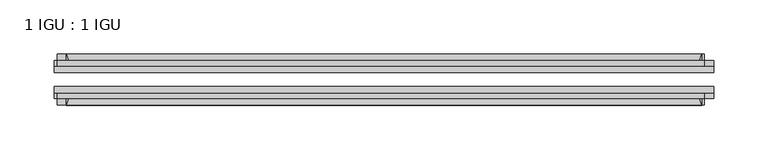
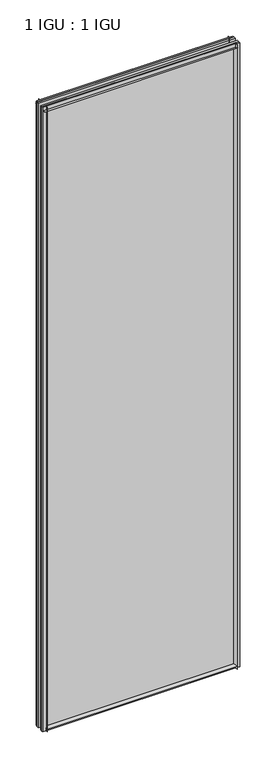
"""IFC4 building model written with IfcOpenShell, lengths in millimetres: plate geometry, 1 IGU : 1 IGU."""

from ifc_helpers import new_model, si_unit, point, frame, frame_2d, origin, place, context, project, spatial, polyline, circle_curve, trimmed, segment, composite_curve, outline, extrude, source, transform, mapped, element, save


def plate_1_igu_1_igu_7e7d0782(model_context):
    return source(origin(), model_context, "Body", "SweptSolid", [
        extrude(outline(composite_curve([segment(polyline([(-74.6252, -8.73125), (-74.6252, -0.0097454), (-80.6504332, -0.0097454)]), True, "CONTINUOUS"), segment(trimmed(circle_curve(frame_2d((-86.2258203, 32.2797688)), 32.7673262), [point((-80.6504332, -0.0097454))], [point((-69.85, 3.8979053))], True, "CARTESIAN"), True, "CONTINUOUS"), segment(polyline([(-69.85, 3.8979053), (-69.85, -8.73125), (-74.6252, -8.73125)]), True, "CONTINUOUS")], self_intersect=False)), frame((-292.0996031, 0.0, 0.0), z_axis=(1.0, 0.0, 0.0), x_axis=(0.0, 1.0, 0.0)), (0.0, 0.0, 1.0), 584.1992063),
        extrude(outline(composite_curve([segment(polyline([(-39.6748, -8.73125), (-44.45, -8.73125), (-44.45, 3.8979053)]), True, "CONTINUOUS"), segment(trimmed(circle_curve(frame_2d((-28.0741797, 32.2797688)), 32.7673262), [point((-44.45, 3.8979053))], [point((-33.6495668, -0.0097454))], True, "CARTESIAN"), True, "CONTINUOUS"), segment(polyline([(-33.6495668, -0.0097454), (-39.6748, -0.0097454), (-39.6748, -8.73125)]), True, "CONTINUOUS")], self_intersect=False)), frame((-292.0996031, 0.0, 0.0), z_axis=(1.0, 0.0, 0.0), x_axis=(0.0, 1.0, 0.0)), (0.0, 0.0, 1.0), 584.1992063),
        extrude(outline(composite_curve([segment(polyline([(-80.5942, 2012.1562438), (-74.6252, 2012.1562438), (-74.6252, 2023.2687438), (-69.85, 2023.2687438), (-69.85, 2008.2583533)]), True, "CONTINUOUS"), segment(trimmed(circle_curve(frame_2d((-86.2258203, 1979.8764898)), 32.7673262), [point((-69.85, 2008.2583533))], [point((-80.5942, 2012.1562438))], True, "CARTESIAN"), True, "CONTINUOUS")], self_intersect=False)), frame((-300.6123418, 0.0, 0.0), z_axis=(1.0, 0.0, 0.0), x_axis=(0.0, 1.0, 0.0)), (0.0, 0.0, 1.0), 595.2579064),
        extrude(outline(composite_curve([segment(polyline([(-39.6748, 2023.2687438), (-39.6748, 2012.1562438), (-33.7058, 2012.1562438)]), True, "CONTINUOUS"), segment(trimmed(circle_curve(frame_2d((-28.0741797, 1979.8764898)), 32.7673262), [point((-33.7058, 2012.1562438))], [point((-44.45, 2008.2583533))], True, "CARTESIAN"), True, "CONTINUOUS"), segment(polyline([(-44.45, 2008.2583533), (-44.45, 2023.2687438), (-39.6748, 2023.2687438)]), True, "CONTINUOUS")], self_intersect=False)), frame((-300.6123418, 0.0, 0.0), z_axis=(1.0, 0.0, 0.0), x_axis=(0.0, 1.0, 0.0)), (0.0, 0.0, 1.0), 595.2579064),
        extrude(outline(composite_curve([segment(polyline([(303.2121031, -39.6748), (303.2121031, -44.45), (288.2017126, -44.45)]), True, "CONTINUOUS"), segment(trimmed(circle_curve(frame_2d((259.8198492, -28.0741797)), 32.7673262), [point((288.2017126, -44.45))], [point((292.0996031, -33.7058))], True, "CARTESIAN"), True, "CONTINUOUS"), segment(polyline([(292.0996031, -33.7058), (292.0996031, -39.6748), (303.2121031, -39.6748)]), True, "CONTINUOUS")], self_intersect=False)), frame((0.0, 0.0, -8.73125), z_axis=(0.0, 0.0, 1.0), x_axis=(1.0, 0.0, 0.0)), (0.0, 0.0, 1.0), 2031.9999938),
        extrude(outline(composite_curve([segment(polyline([(303.2121031, -69.85), (303.2121031, -74.6252), (292.0996031, -74.6252), (292.0996031, -80.5942)]), True, "CONTINUOUS"), segment(trimmed(circle_curve(frame_2d((259.8198492, -86.2258203)), 32.7673262), [point((292.0996031, -80.5942))], [point((288.2017126, -69.85))], True, "CARTESIAN"), True, "CONTINUOUS"), segment(polyline([(288.2017126, -69.85), (303.2121031, -69.85)]), True, "CONTINUOUS")], self_intersect=False)), frame((0.0, 0.0, -8.73125), z_axis=(0.0, 0.0, 1.0), x_axis=(1.0, 0.0, 0.0)), (0.0, 0.0, 1.0), 2031.9999938),
        extrude(outline(composite_curve([segment(polyline([(-303.2121031, -39.6748), (-292.0996031, -39.6748), (-292.0996031, -33.7058)]), True, "CONTINUOUS"), segment(trimmed(circle_curve(frame_2d((-259.8198492, -28.0741797)), 32.7673262), [point((-292.0996031, -33.7058))], [point((-288.2017126, -44.45))], True, "CARTESIAN"), True, "CONTINUOUS"), segment(polyline([(-288.2017126, -44.45), (-303.2121031, -44.45), (-303.2121031, -39.6748)]), True, "CONTINUOUS")], self_intersect=False)), frame((0.0, 0.0, -8.73125), z_axis=(0.0, 0.0, 1.0), x_axis=(1.0, 0.0, 0.0)), (0.0, 0.0, 1.0), 2031.9999938),
        extrude(outline(composite_curve([segment(polyline([(-303.2121031, -74.6252), (-303.2121031, -69.85), (-288.2017126, -69.85)]), True, "CONTINUOUS"), segment(trimmed(circle_curve(frame_2d((-259.8198492, -86.2258203)), 32.7673262), [point((-288.2017126, -69.85))], [point((-292.0996031, -80.5942))], True, "CARTESIAN"), True, "CONTINUOUS"), segment(polyline([(-292.0996031, -80.5942), (-292.0996031, -74.6252), (-303.2121031, -74.6252)]), True, "CONTINUOUS")], self_intersect=False)), frame((0.0, 0.0, -8.73125), z_axis=(0.0, 0.0, 1.0), x_axis=(1.0, 0.0, 0.0)), (0.0, 0.0, 1.0), 2031.9999938),
        extrude(outline(polyline([(-303.2121031, -69.85), (-303.2121031, -63.5508), (303.2121031, -63.5508), (303.2121031, -69.85), (-303.2121031, -69.85)])), frame((0.0, 0.0, -8.73125), z_axis=(0.0, 0.0, 1.0), x_axis=(1.0, 0.0, 0.0)), (0.0, 0.0, 1.0), 2031.9999938),
        extrude(outline(polyline([(303.2121031, -50.7492), (-303.2121031, -50.7492), (-303.2121031, -44.45), (303.2121031, -44.45), (303.2121031, -50.7492)])), frame((0.0, 0.0, -8.73125), z_axis=(0.0, 0.0, 1.0), x_axis=(1.0, 0.0, 0.0)), (0.0, 0.0, 1.0), 2031.9999938),
    ])


if __name__ == "__main__":
    model = new_model("IFC4")
    model_context = context("Model", 3, world=origin())
    ifc_project = project(units=[si_unit("LENGTHUNIT", "METRE", prefix="MILLI")], contexts=[model_context])
    site = spatial("IfcSite", under=ifc_project)
    building = spatial("IfcBuilding", under=site)
    placement = place(None, origin())
    plate_1_igu_1_igu_shape = plate_1_igu_1_igu_7e7d0782(model_context)
    element("IfcPlate", 1, ObjectType="1 IGU : 1 IGU", at=placement, inside=building, context=model_context, shape_type="MappedRepresentation", body=[
        mapped(plate_1_igu_1_igu_shape, transform((0.0, 0.0, 0.0), x_axis=(1.0, 0.0, 0.0), y_axis=(0.0, 1.0, 0.0), z_axis=(0.0, 0.0, 1.0))),
    ])
    save(model, "model.ifc")
